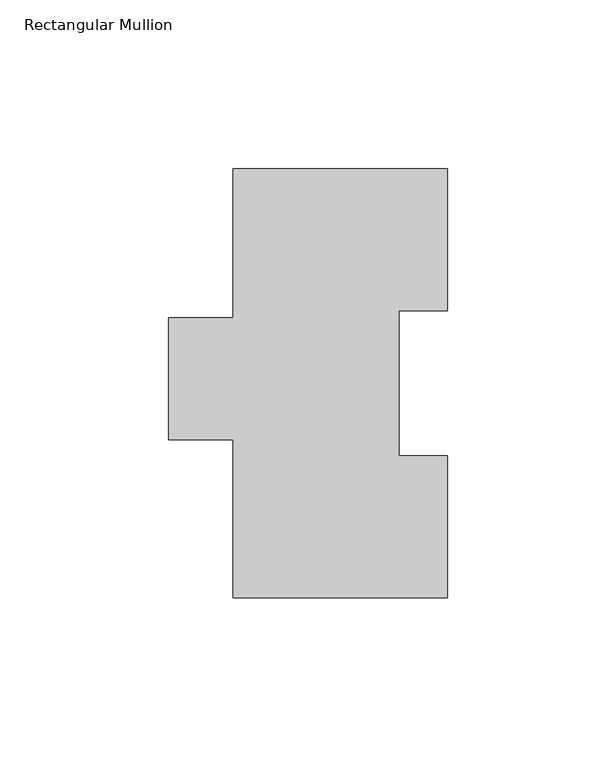
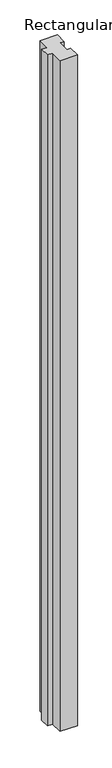
"""IFC4 building model written with IfcOpenShell, lengths in millimetres: member geometry, Rectangular Mullion."""

from ifc_helpers import new_model, si_unit, frame, origin, place, context, project, spatial, polyline, outline, extrude, source, transform, mapped, element, save


def rectangular_mullion_c1a576fc(model_context):
    return source(origin(), model_context, "Body", "SweptSolid", [
        extrude(outline(polyline([(-31.75, 127.00635), (31.7502713, 127.00635), (31.7502713, 84.93125), (17.4622287, 84.93125), (17.4622287, 42.08145), (31.7497287, 42.08145), (31.7497287, 0.00635), (-31.75, 0.00635), (-31.75, 46.8376), (-50.8002713, 46.8376), (-50.8002713, 82.9313681), (-31.75, 82.9313681), (-31.75, 127.00635)])), frame((0.0, 0.0, -2590.8), z_axis=(0.0, 0.0, 1.0), x_axis=(1.0, 0.0, 0.0)), (0.0, 0.0, 1.0), 2590.8),
    ])


if __name__ == "__main__":
    model = new_model("IFC4")
    model_context = context("Model", 3, world=origin())
    ifc_project = project(units=[si_unit("LENGTHUNIT", "METRE", prefix="MILLI")], contexts=[model_context])
    site = spatial("IfcSite", under=ifc_project)
    building = spatial("IfcBuilding", under=site)
    placement = place(None, origin())
    rectangular_mullion_shape = rectangular_mullion_c1a576fc(model_context)
    element("IfcMember", 1, ObjectType="Rectangular Mullion", at=placement, inside=building, context=model_context, shape_type="MappedRepresentation", body=[
        mapped(rectangular_mullion_shape, transform((0.0, 0.0, 0.0), x_axis=(1.0, 0.0, 0.0), y_axis=(0.0, 1.0, 0.0), z_axis=(0.0, 0.0, 1.0))),
    ])
    save(model, "model.ifc")
